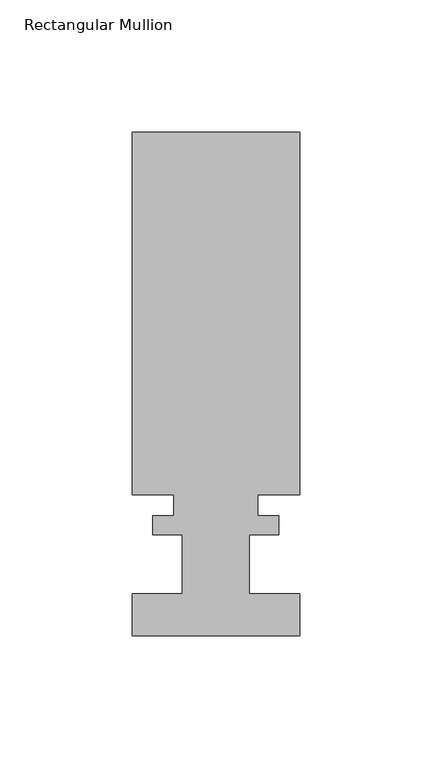
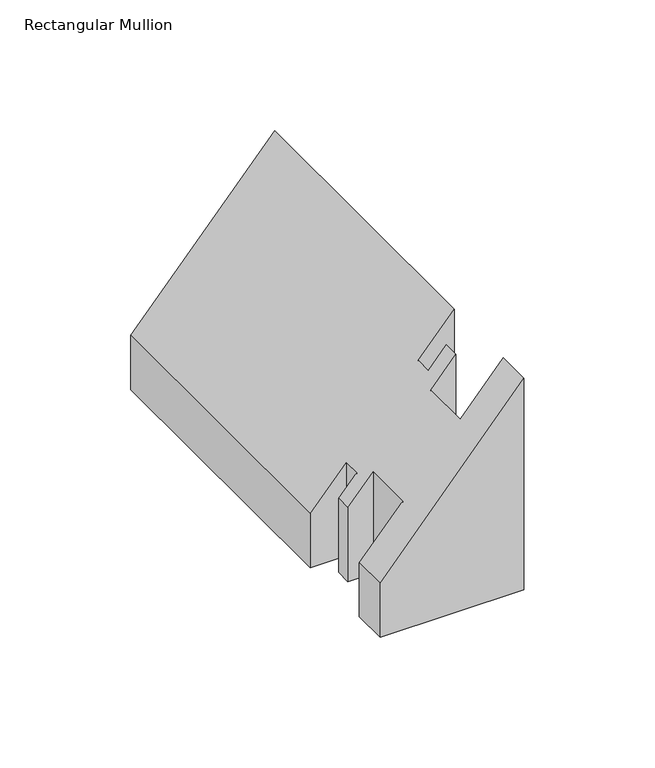
"""IFC4 building model written with IfcOpenShell, lengths in millimetres: member geometry, Rectangular Mullion."""

from ifc_helpers import new_model, si_unit, origin, place, context, project, spatial, faceted_brep, source, transform, mapped, element, save


def rectangular_mullion_b826a715(model_context):
    return source(origin(), model_context, "Body", "Brep", [
        faceted_brep([(-31.75, -0.0555625, -232.1163446), (-31.75, 15.8194375, -232.1163446), (-12.7, 15.8194375, -232.1163446), (-12.7, 38.2984375, -232.1163446), (-23.8252, 38.2984375, -232.1163446), (-23.8252, 45.4612375, -232.1163446), (-15.875, 45.4612375, -232.1163446), (-15.875, 53.3606375, -232.1163446), (-31.75, 53.3606375, -232.1163446), (-31.75, 190.6984375, -232.1163446), (31.75, 190.6984375, -232.1163446), (31.75, 53.3606375, -232.1163446), (15.875, 53.3606375, -232.1163446), (15.875, 45.4612375, -232.1163446), (23.8252, 45.4612375, -232.1163446), (23.8252, 38.2984375, -232.1163446), (12.7, 38.2984375, -232.1163446), (12.7, 15.8194375, -232.1163446), (31.75, 15.8194375, -232.1163446), (31.75, -0.0555625, -232.1163446), (31.75, -0.0555625, -133.5284115), (-31.75, -0.0555625, -206.8518957), (31.75, 15.8194375, -133.5284115), (12.7, 15.8194375, -155.5254568), (12.7, 38.2984375, -155.5254568), (23.8252, 38.2984375, -142.6791823), (23.8252, 45.4612375, -142.6791823), (15.875, 45.4612375, -151.8592826), (15.875, 53.3606375, -151.8592826), (31.75, 53.3606375, -133.5284115), (31.75, 190.6984375, -133.5284115), (-31.75, 190.6984375, -206.8518957), (-31.75, 53.3606375, -206.8518957), (-15.875, 53.3606375, -188.5210247), (-15.875, 45.4612375, -188.5210247), (-23.8252, 45.4612375, -197.7011249), (-23.8252, 38.2984375, -197.7011249), (-12.7, 38.2984375, -184.8548505), (-12.7, 15.8194375, -184.8548505), (-31.75, 15.8194375, -206.8518957)], [[[0, 1, 2, 3, 4, 5, 6, 7, 8, 9, 10, 11, 12, 13, 14, 15, 16, 17, 18, 19]], [[20, 21, 0, 19]], [[22, 20, 19, 18]], [[23, 22, 18, 17]], [[24, 23, 17, 16]], [[25, 24, 16, 15]], [[26, 25, 15, 14]], [[27, 26, 14, 13]], [[28, 27, 13, 12]], [[29, 28, 12, 11]], [[30, 29, 11, 10]], [[31, 30, 10, 9]], [[32, 31, 9, 8]], [[33, 32, 8, 7]], [[34, 33, 7, 6]], [[35, 34, 6, 5]], [[36, 35, 5, 4]], [[37, 36, 4, 3]], [[38, 37, 3, 2]], [[39, 38, 2, 1]], [[21, 39, 1, 0]], [[21, 20, 22, 23, 24, 25, 26, 27, 28, 29, 30, 31, 32, 33, 34, 35, 36, 37, 38, 39]]]),
    ])


if __name__ == "__main__":
    model = new_model("IFC4")
    model_context = context("Model", 3, world=origin())
    ifc_project = project(units=[si_unit("LENGTHUNIT", "METRE", prefix="MILLI")], contexts=[model_context])
    site = spatial("IfcSite", under=ifc_project)
    building = spatial("IfcBuilding", under=site)
    placement = place(None, origin())
    rectangular_mullion_shape = rectangular_mullion_b826a715(model_context)
    element("IfcMember", 1, ObjectType="Rectangular Mullion", at=placement, inside=building, context=model_context, shape_type="MappedRepresentation", body=[
        mapped(rectangular_mullion_shape, transform((0.0, 0.0, 0.0), x_axis=(1.0, 0.0, 0.0), y_axis=(0.0, 1.0, 0.0), z_axis=(0.0, 0.0, 1.0))),
    ])
    save(model, "model.ifc")
